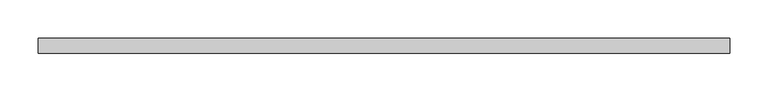
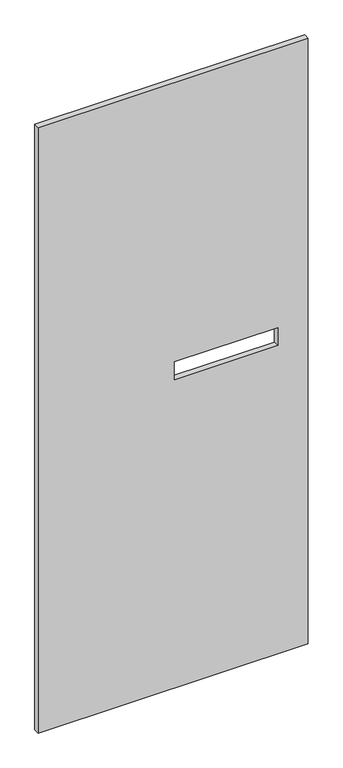
"""IFC4 building model written with IfcOpenShell, lengths in millimetres: proxy geometry."""

from ifc_helpers import new_model, si_unit, frame, origin, place, context, project, spatial, polyline, outline, extrude, source, transform, mapped, element, save


def specialty_equipment_f1a845f1(model_context):
    return source(origin(), model_context, "Body", "SweptSolid", [
        extrude(outline(polyline([(2130.425, 448.9704), (2130.425, -448.9704), (3.175, -448.9704), (3.175, 448.9704), (2130.425, 448.9704)]), holes=[polyline([(1148.715, 348.488), (1086.485, 348.488), (1086.485, 4.064), (1148.715, 4.064), (1148.715, 348.488)])]), frame((0.0, -9.525, 0.0), z_axis=(0.0, 1.0, 0.0), x_axis=(0.0, 0.0, 1.0)), (0.0, 0.0, 1.0), 19.05),
    ])


if __name__ == "__main__":
    model = new_model("IFC4")
    model_context = context("Model", 3, world=origin())
    ifc_project = project(units=[si_unit("LENGTHUNIT", "METRE", prefix="MILLI")], contexts=[model_context])
    site = spatial("IfcSite", under=ifc_project)
    building = spatial("IfcBuilding", under=site)
    placement = place(None, origin())
    specialty_equipment_shape = specialty_equipment_f1a845f1(model_context)
    element("IfcBuildingElementProxy", 1, Name="Specialty Equipment", at=placement, inside=building, context=model_context, shape_type="MappedRepresentation", body=[
        mapped(specialty_equipment_shape, transform((0.0, 0.0, 0.0), x_axis=(1.0, 0.0, 0.0), y_axis=(0.0, 1.0, 0.0), z_axis=(0.0, 0.0, 1.0))),
    ])
    save(model, "model.ifc")
